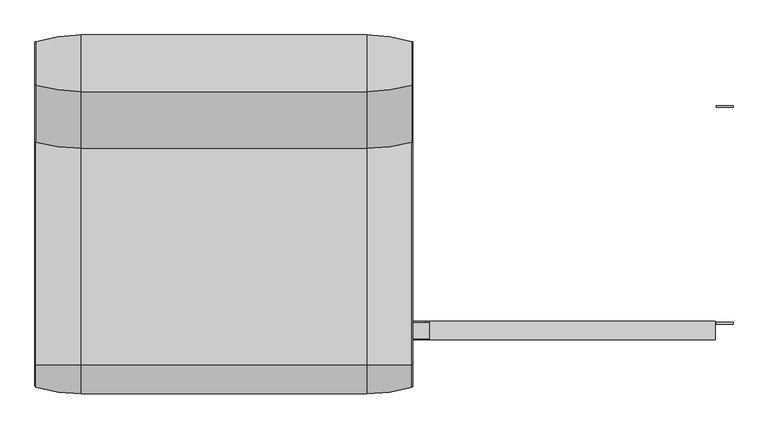
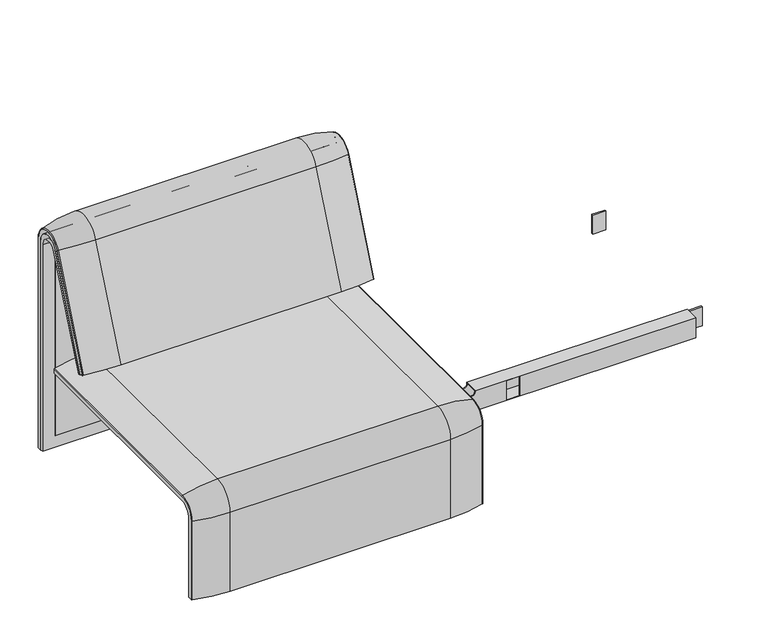
"""IFC4 building model written with IfcOpenShell, lengths in millimetres: furniture geometry."""

import ifcopenshell
import ifcopenshell.guid

model = None  # the IFC model being written
_history = None  # IfcOwnerHistory: only IFC2X3 demands one
_inside = {}  # id of a spatial element -> (the spatial element, [elements in it])
_under = {}  # id of a project, library or spatial element -> (it, [spatial elements below it])
_declared = {}  # id of a project -> (the project, [libraries it declares])
_typed = {}  # id of a type object -> (the type object, [elements of that type])
_made_of = {}  # id of a material, layer set ... -> (it, [elements and type objects made of it])


def new_model(schema):
    """Start an empty IFC model of exactly this schema.

    Asked for "IFC4X3", IfcOpenShell would pick the latest addendum, in which some entities
    have other attributes; the version numbers below select the first issue.
    IFC2X3 requires an IfcOwnerHistory on every rooted entity: one is made here for all.
    """
    global model, _history
    if schema == "IFC4X3":
        model = ifcopenshell.file(schema_version=(4, 3, 0, 0))
    else:
        model = ifcopenshell.file(schema=schema)
    _inside.clear()
    _under.clear()
    _declared.clear()
    _typed.clear()
    _made_of.clear()
    _history = None
    if model.schema == "IFC2X3":
        org = make("IfcOrganization", Name="unknown")
        user = make(
            "IfcPersonAndOrganization",
            ThePerson=make("IfcPerson", FamilyName="unknown"),
            TheOrganization=org,
        )
        app = make(
            "IfcApplication",
            ApplicationDeveloper=org,
            Version="unknown",
            ApplicationFullName="unknown",
            ApplicationIdentifier="unknown",
        )
        _history = make(
            "IfcOwnerHistory",
            OwningUser=user,
            OwningApplication=app,
            ChangeAction="ADDED",
            CreationDate=0,
        )
    return model


def make(cls, **values):
    """One entity of the class cls with the attributes given. An attribute that is None is left unset."""
    return model.create_entity(
        cls, **{name: value for name, value in values.items() if value is not None}
    )


def rooted(cls, **values):
    """An entity with a GlobalId (a new one), such as an element, a storey or a relation."""
    return make(cls, GlobalId=ifcopenshell.guid.new(), OwnerHistory=_history, **values)


def si_unit(unit_type, name, prefix=None):
    """IfcSIUnit, for example si_unit("LENGTHUNIT", "METRE", prefix="MILLI")."""
    return make("IfcSIUnit", UnitType=unit_type, Prefix=prefix, Name=name)


def assignment(units):
    """IfcUnitAssignment: the units of a project."""
    return None if units is None else make("IfcUnitAssignment", Units=units)


def point(xyz):
    """IfcCartesianPoint."""
    return None if xyz is None else make("IfcCartesianPoint", Coordinates=xyz)


def direction(xyz):
    """IfcDirection."""
    return None if xyz is None else make("IfcDirection", DirectionRatios=xyz)


def frame(location, z_axis=None, x_axis=None):
    """IfcAxis2Placement3D, a coordinate frame: its origin and axes. An axis left out is left unset."""
    return make(
        "IfcAxis2Placement3D",
        Location=point(location),
        Axis=direction(z_axis),
        RefDirection=direction(x_axis),
    )


def frame_2d(location, x_axis=None):
    """IfcAxis2Placement2D, a coordinate frame in the plane: its origin and x axis."""
    return make(
        "IfcAxis2Placement2D", Location=point(location), RefDirection=direction(x_axis)
    )


def origin():
    """The frame at (0, 0, 0) with its axes left unset."""
    return frame((0.0, 0.0, 0.0))


def place(relative_to, where):
    """IfcLocalPlacement: puts the frame where relative to a parent placement (None: the world)."""
    return make(
        "IfcLocalPlacement", PlacementRelTo=relative_to, RelativePlacement=where
    )


def context(
    kind, dimensions, precision=None, world=None, true_north=None, identifier=None
):
    """IfcGeometricRepresentationContext, for example the 3D "Model" context."""
    return make(
        "IfcGeometricRepresentationContext",
        ContextIdentifier=identifier,
        ContextType=kind,
        CoordinateSpaceDimension=dimensions,
        Precision=precision,
        WorldCoordinateSystem=world,
        TrueNorth=true_north,
    )


def project(units=None, contexts=None):
    """IfcProject with its units and contexts."""
    return rooted(
        "IfcProject",
        Name="project",
        RepresentationContexts=contexts,
        UnitsInContext=assignment(units),
    )


def spatial(cls, under=None, at=None, **own):
    """A site, building, storey or space (cls), placed at a placement, below another one or the project."""
    s = rooted(cls, ObjectPlacement=at, **own)
    if under is not None:
        _under.setdefault(under.id(), (under, []))[1].append(s)
    return s


def polyline(points):
    """IfcPolyline through the points."""
    return make("IfcPolyline", Points=[point(p) for p in points])


def circle_curve(where, radius):
    """IfcCircle in the frame where."""
    return make("IfcCircle", Position=where, Radius=radius)


def ellipse_curve(where, semi_axis1, semi_axis2):
    """IfcEllipse in the frame where."""
    return make(
        "IfcEllipse", Position=where, SemiAxis1=semi_axis1, SemiAxis2=semi_axis2
    )


def trimmed(basis, trim1, trim2, sense, master):
    """IfcTrimmedCurve: the piece of a basis curve between two trims."""
    return make(
        "IfcTrimmedCurve",
        BasisCurve=basis,
        Trim1=trim1,
        Trim2=trim2,
        SenseAgreement=sense,
        MasterRepresentation=master,
    )


def segment(curve, same_sense, transition):
    """IfcCompositeCurveSegment."""
    return make(
        "IfcCompositeCurveSegment",
        Transition=transition,
        SameSense=same_sense,
        ParentCurve=curve,
    )


def composite_curve(segments, self_intersect=None):
    """IfcCompositeCurve: segments joined end to end."""
    return make("IfcCompositeCurve", Segments=segments, SelfIntersect=self_intersect)


def outline(outer, holes=None, kind="AREA"):
    """IfcArbitraryClosedProfileDef: a profile drawn as a closed curve; with holes, ...WithVoids."""
    if holes is None:
        return make("IfcArbitraryClosedProfileDef", ProfileType=kind, OuterCurve=outer)
    return make(
        "IfcArbitraryProfileDefWithVoids",
        ProfileType=kind,
        OuterCurve=outer,
        InnerCurves=holes,
    )


def extrude(swept, where, along, depth):
    """IfcExtrudedAreaSolid: the profile swept, set in the frame where, extruded along a direction by depth."""
    return make(
        "IfcExtrudedAreaSolid",
        SweptArea=swept,
        Position=where,
        ExtrudedDirection=direction(along),
        Depth=depth,
    )


def shape(context_of_items, identifier, shape_type, items):
    """IfcShapeRepresentation: the items that make up one representation, for example the "Body"."""
    return make(
        "IfcShapeRepresentation",
        ContextOfItems=context_of_items,
        RepresentationIdentifier=identifier,
        RepresentationType=shape_type,
        Items=items,
    )


def source(mapping_origin, context_of_items, identifier, shape_type, items):
    """IfcRepresentationMap: a shape defined once, which mapped items show again and again."""
    return make(
        "IfcRepresentationMap",
        MappingOrigin=mapping_origin,
        MappedRepresentation=shape(context_of_items, identifier, shape_type, items),
    )


def transform(
    local_origin,
    x_axis=None,
    y_axis=None,
    z_axis=None,
    scale=None,
    scale2=None,
    scale3=None,
    uniform=True,
):
    """IfcCartesianTransformationOperator3D, or its non-uniform kind. x_axis, y_axis, z_axis: its Axis1, 2, 3."""
    if uniform:
        return make(
            "IfcCartesianTransformationOperator3D",
            Axis1=direction(x_axis),
            Axis2=direction(y_axis),
            LocalOrigin=point(local_origin),
            Scale=scale,
            Axis3=direction(z_axis),
        )
    return make(
        "IfcCartesianTransformationOperator3DnonUniform",
        Axis1=direction(x_axis),
        Axis2=direction(y_axis),
        LocalOrigin=point(local_origin),
        Scale=scale,
        Axis3=direction(z_axis),
        Scale2=scale2,
        Scale3=scale3,
    )


def mapped(mapping_source, mapping_target):
    """IfcMappedItem: shows the shape of a source again, moved by a transform."""
    return make(
        "IfcMappedItem", MappingSource=mapping_source, MappingTarget=mapping_target
    )


def made_of(thing, what):
    """Note that an element or type object is made of a material, layer set ...; save() writes the relation."""
    if what is not None:
        _made_of.setdefault(what.id(), (what, []))[1].append(thing)
    return thing


def element(
    cls,
    number,
    at=None,
    inside=None,
    cuts=None,
    type_object=None,
    material=None,
    context=None,
    identifier="Body",
    shape_type=None,
    held_by="IfcProductDefinitionShape",
    body=None,
    shapes=None,
    **own,
):
    """One element of the class cls, such as IfcWall. Its Tag is "e" and its number.

    at: its placement. inside: the storey or other place that contains it. cuts: it is an
    opening in that element (IfcRelVoidsElement). A single representation is given by context,
    identifier, shape_type and body (its items); several are given by shapes. held_by: the class
    of the entity that holds the representations. save() writes the other relations.
    """
    e = rooted(cls, Tag="e%d" % number, ObjectPlacement=at, **own)
    if body is not None:
        shapes = [shape(context, identifier, shape_type, body)]
    if shapes is not None:
        e.Representation = make(held_by, Representations=shapes)
    if inside is not None:
        _inside.setdefault(inside.id(), (inside, []))[1].append(e)
    if cuts is not None:
        rooted(
            "IfcRelVoidsElement", RelatingBuildingElement=cuts, RelatedOpeningElement=e
        )
    if type_object is not None:
        _typed.setdefault(type_object.id(), (type_object, []))[1].append(e)
    return made_of(e, material)


def aggregate(whole, parts):
    """IfcRelAggregates: a whole, such as a stair, and the parts it consists of."""
    return rooted("IfcRelAggregates", RelatingObject=whole, RelatedObjects=parts)


def save(model, path):
    """Write the relations noted so far, then the file.

    IfcRelAggregates (storeys below a building ...), IfcRelContainedInSpatialStructure (elements
    in a storey), IfcRelDefinesByType, IfcRelAssociatesMaterial and IfcRelDeclares: one each for
    every whole, place, type object, material and project.
    """
    for whole, parts in _under.values():
        aggregate(whole, parts)
    for where, things in _inside.values():
        rooted(
            "IfcRelContainedInSpatialStructure",
            RelatedElements=things,
            RelatingStructure=where,
        )
    for kind, things in _typed.values():
        rooted("IfcRelDefinesByType", RelatedObjects=things, RelatingType=kind)
    for what, things in _made_of.values():
        rooted("IfcRelAssociatesMaterial", RelatedObjects=things, RelatingMaterial=what)
    for by, libraries in _declared.values():
        rooted("IfcRelDeclares", RelatingContext=by, RelatedDefinitions=libraries)
    model.write(path)


def plane_surface(at):
    """IfcPlane: the flat surface through the origin of the frame at, square to its z axis."""
    return make("IfcPlane", Position=at)


def cylinder_surface(at, radius):
    """IfcCylindricalSurface: all points at the distance radius from the z axis of the frame at."""
    return make("IfcCylindricalSurface", Position=at, Radius=radius)


def revolved_surface(curve, axis_point, axis_direction):
    """IfcSurfaceOfRevolution: the curve turned about the line through axis_point along axis_direction."""
    return make(
        "IfcSurfaceOfRevolution",
        SweptCurve=make("IfcArbitraryOpenProfileDef", ProfileType="CURVE", Curve=curve),
        AxisPosition=make("IfcAxis1Placement", Location=point(axis_point), Axis=direction(axis_direction)),
    )


def advanced_brep(points, edges, surfaces, faces):
    """IfcAdvancedBrep: a solid bounded by faces that lie on surfaces and meet in shared edges.

    An edge is (start, end): straight between two places in points (the first is 0);
    or (start, end, curve); or (start, end, curve, False) where it runs against its curve.
    A face is (place in surfaces, loops), or (place, loops, False) where it looks against
    its surface's normal. A loop lists edges by number (the first is 1), with a minus sign
    where the edge is run from its end to its start. The first loop is the outer one.
    """
    corners = [point(p) for p in points]
    vertices = [make("IfcVertexPoint", VertexGeometry=c) for c in corners]
    made = []
    for start, end, *more in edges:
        made.append(
            make(
                "IfcEdgeCurve",
                EdgeStart=vertices[start],
                EdgeEnd=vertices[end],
                EdgeGeometry=more[0] if more else make("IfcPolyline", Points=[corners[start], corners[end]]),
                SameSense=more[1] if len(more) > 1 else True,
            )
        )
    hull = []
    for where, loops, *sense in faces:
        bounds = []
        for j, loop in enumerate(loops):
            ring = [make("IfcOrientedEdge", EdgeElement=made[abs(k) - 1], Orientation=k > 0) for k in loop]
            bounds.append(
                make(
                    "IfcFaceOuterBound" if j == 0 else "IfcFaceBound",
                    Bound=make("IfcEdgeLoop", EdgeList=ring),
                    Orientation=True,
                )
            )
        hull.append(make("IfcAdvancedFace", Bounds=bounds, FaceSurface=surfaces[where], SameSense=sense[0] if sense else True))
    return make("IfcAdvancedBrep", Outer=make("IfcClosedShell", CfsFaces=hull))


def furniture_76314d17(model_context):
    return source(origin(), model_context, "Body", "SolidModel", [
        advanced_brep(
        [(-815.9812488, -368.7793679, 100.5089435), (-815.9812488, -357.5, 100.5089435), (0.0, -357.5, 100.5089435), (0.0, -368.7793679, 100.5089435), (-2.1386285, -371.6530483, 100.5089435), (-100.0, -386.0043559, 100.5089435), (-715.9812488, -386.0043559, 100.5089435), (-813.8426203, -371.6530483, 100.5089435), (-815.9812488, 295.0, 377.4518019), (-813.8426203, 295.0, 380.3254823), (-715.9812488, 295.0, 394.67679), (-100.0, 295.0, 394.67679), (-2.1386285, 295.0, 380.3254823), (0.0, 295.0, 377.4518019), (0.0, 295.0, 366.172434), (-815.9812488, 295.0, 366.172434), (-815.9812488, -368.7793679, 333.0583003), (-815.9812488, -324.3858663, 377.4518019), (-815.9812488, -324.3858663, 366.172434), (-815.9812488, -357.5, 333.0583003), (0.0, -357.5, 333.0583003), (-100.0, -386.0043559, 333.0583003), (-715.9812488, -386.0043559, 333.0583003), (-813.8426203, -371.6530483, 333.0583003), (0.0, -324.3858663, 366.172434), (-715.9812488, -324.3858663, 394.67679), (-100.0, -324.3858663, 394.67679), (-813.8426203, -324.3858663, 380.3254823), (0.0, -324.3858663, 377.4518019), (0.0, -368.7793679, 333.0583003), (-2.1386285, -371.6530483, 333.0583003), (-2.1386285, -324.3858663, 380.3254823)],
        [
            (0, 1),
            (1, 2),
            (2, 3),
            (3, 4, circle_curve(frame((-3.0, -368.7793679, 100.5089435), z_axis=(0.0, 0.0, -1.0), x_axis=(-1.0, 0.0, 0.0)), 3.0)),
            (4, 5, circle_curve(frame((-100.0, -45.1710226, 100.5089435), z_axis=(0.0, 0.0, -1.0), x_axis=(0.0, 1.0, 0.0)), 340.8333333)),
            (5, 6),
            (6, 7, circle_curve(frame((-715.9812488, -45.1710226, 100.5089435), z_axis=(0.0, 0.0, -1.0), x_axis=(0.0, 1.0, 0.0)), 340.8333333)),
            (7, 0, circle_curve(frame((-812.9812488, -368.7793679, 100.5089435), z_axis=(0.0, 0.0, -1.0), x_axis=(1.0, 0.0, 0.0)), 3.0)),
            (8, 9, circle_curve(frame((-812.9812488, 295.0, 377.4518019), z_axis=(0.0, 1.0, 0.0), x_axis=(1.0, 0.0, 0.0)), 3.0)),
            (9, 10, circle_curve(frame((-715.9812488, 295.0, 53.8434566), z_axis=(0.0, 1.0, 0.0), x_axis=(0.0, 0.0, -1.0)), 340.8333333)),
            (10, 11),
            (11, 12, circle_curve(frame((-100.0, 295.0, 53.8434566), z_axis=(0.0, 1.0, 0.0), x_axis=(0.0, 0.0, -1.0)), 340.8333333)),
            (12, 13, circle_curve(frame((-3.0, 295.0, 377.4518019), z_axis=(0.0, 1.0, 0.0), x_axis=(-1.0, 0.0, 0.0)), 3.0)),
            (13, 14),
            (14, 15),
            (15, 8),
            (0, 16),
            (16, 17, circle_curve(frame((-815.9812488, -324.3858663, 333.0583003), z_axis=(-1.0, 0.0, 0.0), x_axis=(0.0, -1.0, 0.0)), 44.3935016)),
            (17, 8),
            (15, 18),
            (18, 19, circle_curve(frame((-815.9812488, -324.3858663, 333.0583003), z_axis=(1.0, 0.0, 0.0), x_axis=(0.0, -1.0, 0.0)), 33.1141337)),
            (19, 1),
            (19, 20),
            (20, 2),
            (5, 21),
            (21, 22),
            (22, 6),
            (22, 23, circle_curve(frame((-715.9812488, -45.1710226, 333.0583003), z_axis=(0.0, 0.0, -1.0), x_axis=(0.0, 1.0, 0.0)), 340.8333333)),
            (23, 7),
            (23, 16, circle_curve(frame((-812.9812488, -368.7793679, 333.0583003), z_axis=(0.0, 0.0, -1.0), x_axis=(1.0, 0.0, 0.0)), 3.0)),
            (24, 20, circle_curve(frame((0.0, -324.3858663, 333.0583003), z_axis=(1.0, 0.0, 0.0), x_axis=(0.0, -1.0, 0.0)), 33.1141337)),
            (18, 24),
            (25, 22, circle_curve(frame((-715.9812488, -324.3858663, 333.0583003), z_axis=(1.0, 0.0, 0.0), x_axis=(0.0, -1.0, 0.0)), 61.6184897)),
            (21, 26, circle_curve(frame((-100.0, -324.3858663, 333.0583003), z_axis=(-1.0, 0.0, 0.0), x_axis=(0.0, -1.0, 0.0)), 61.6184897)),
            (26, 25),
            (27, 23, circle_curve(frame((-813.8426203, -324.3858663, 333.0583003), z_axis=(1.0, 0.0, 0.0), x_axis=(0.0, -1.0, 0.0)), 47.267182)),
            (25, 27, circle_curve(frame((-715.9812488, -324.3858663, 53.8434566), z_axis=(0.0, -1.0, 0.0), x_axis=(0.0, 0.0, -1.0)), 340.8333333)),
            (27, 17, circle_curve(frame((-812.9812488, -324.3858663, 377.4518019), z_axis=(0.0, -1.0, 0.0), x_axis=(1.0, 0.0, 0.0)), 3.0)),
            (14, 24),
            (26, 11),
            (10, 25),
            (9, 27),
            (13, 28),
            (28, 29, circle_curve(frame((0.0, -324.3858663, 333.0583003), z_axis=(1.0, 0.0, 0.0), x_axis=(0.0, -1.0, 0.0)), 44.3935016)),
            (29, 3),
            (29, 30, circle_curve(frame((-3.0, -368.7793679, 333.0583003), z_axis=(0.0, 0.0, -1.0), x_axis=(-1.0, 0.0, 0.0)), 3.0)),
            (30, 4),
            (30, 21, circle_curve(frame((-100.0, -45.1710226, 333.0583003), z_axis=(0.0, 0.0, -1.0), x_axis=(0.0, 1.0, 0.0)), 340.8333333)),
            (31, 30, circle_curve(frame((-2.1386285, -324.3858663, 333.0583003), z_axis=(1.0, 0.0, 0.0), x_axis=(0.0, -1.0, 0.0)), 47.267182)),
            (28, 31, circle_curve(frame((-3.0, -324.3858663, 377.4518019), z_axis=(0.0, -1.0, 0.0), x_axis=(-1.0, 0.0, 0.0)), 3.0)),
            (31, 26, circle_curve(frame((-100.0, -324.3858663, 53.8434566), z_axis=(0.0, -1.0, 0.0), x_axis=(0.0, 0.0, -1.0)), 340.8333333)),
            (12, 31),
        ],
        [
            plane_surface(frame((-815.9812488, -357.5, 100.5089435), z_axis=(0.0, 0.0, -1.0), x_axis=(1.0, 0.0, 0.0))),
            plane_surface(frame((-815.9812488, 295.0, 366.172434), z_axis=(0.0, 1.0, 0.0), x_axis=(1.0, 0.0, 0.0))),
            plane_surface(frame((-815.9812488, -368.7793679, 100.5089435), z_axis=(-1.0, 0.0, 0.0), x_axis=(0.0, 0.0, 1.0))),
            plane_surface(frame((-815.9812488, -357.5, 100.5089435), z_axis=(0.0, 1.0, 0.0), x_axis=(0.0, 0.0, 1.0))),
            plane_surface(frame((-100.0, -386.0043559, 100.5089435), z_axis=(0.0, -1.0, 0.0), x_axis=(0.0, 0.0, 1.0))),
            cylinder_surface(frame((-715.9812488, -45.1710226, 100.5089435), z_axis=(0.0, 0.0, -1.0), x_axis=(0.0, 1.0, 0.0)), 340.8333333),
            cylinder_surface(frame((-812.9812488, -368.7793679, 100.5089435), z_axis=(0.0, 0.0, -1.0), x_axis=(1.0, 0.0, 0.0)), 3.0),
            revolved_surface(polyline([(-815.9812488, -357.5, 333.0583003), (0.0, -357.5, 333.0583003)]), (-815.9812488, -324.3858663, 333.0583003), (-1.0, 0.0, 0.0)),
            cylinder_surface(frame((-815.9812488, -324.3858663, 333.0583003), z_axis=(-1.0, 0.0, 0.0), x_axis=(0.0, -1.0, 0.0)), 61.6184897),
            revolved_surface(trimmed(ellipse_curve(frame((-715.9812488, -45.1710226, 333.0583003), z_axis=(0.0, 0.0, -1.0), x_axis=(0.0, 1.0, 0.0)), 340.8333333, 340.8333333), [point((-715.9812488, -386.0043559, 333.0583003))], [point((-813.8426203, -371.6530483, 333.0583003))], True, "CARTESIAN"), (-815.9812488, -324.3858663, 333.0583003), (-1.0, 0.0, 0.0)),
            revolved_surface(trimmed(ellipse_curve(frame((-812.9812488, -368.7793679, 333.0583003), z_axis=(0.0, 0.0, -1.0), x_axis=(1.0, 0.0, 0.0)), 3.0, 3.0), [point((-813.8426203, -371.6530483, 333.0583003))], [point((-815.9812488, -368.7793679, 333.0583003))], True, "CARTESIAN"), (-815.9812488, -324.3858663, 333.0583003), (-1.0, 0.0, 0.0)),
            plane_surface(frame((-815.9812488, -324.3858663, 366.172434), z_axis=(0.0, 0.0, -1.0), x_axis=(0.0, 1.0, 0.0))),
            plane_surface(frame((-100.0, -324.3858663, 394.67679), z_axis=(0.0, 0.0, 1.0), x_axis=(0.0, 1.0, 0.0))),
            cylinder_surface(frame((-715.9812488, -324.3858663, 53.8434566), z_axis=(0.0, -1.0, 0.0), x_axis=(0.0, 0.0, -1.0)), 340.8333333),
            cylinder_surface(frame((-812.9812488, -324.3858663, 377.4518019), z_axis=(0.0, -1.0, 0.0), x_axis=(1.0, 0.0, 0.0)), 3.0),
            plane_surface(frame((0.0, -357.5, 100.5089435), z_axis=(1.0, 0.0, 0.0), x_axis=(0.0, 0.0, 1.0))),
            cylinder_surface(frame((-3.0, -368.7793679, 100.5089435), z_axis=(0.0, 0.0, -1.0), x_axis=(-1.0, 0.0, 0.0)), 3.0),
            cylinder_surface(frame((-100.0, -45.1710226, 100.5089435), z_axis=(0.0, 0.0, -1.0), x_axis=(0.0, 1.0, 0.0)), 340.8333333),
            revolved_surface(trimmed(ellipse_curve(frame((-3.0, -368.7793679, 333.0583003), z_axis=(0.0, 0.0, -1.0), x_axis=(-1.0, 0.0, 0.0)), 3.0, 3.0), [point((0.0, -368.7793679, 333.0583003))], [point((-2.1386285, -371.6530483, 333.0583003))], True, "CARTESIAN"), (-815.9812488, -324.3858663, 333.0583003), (-1.0, 0.0, 0.0)),
            revolved_surface(trimmed(ellipse_curve(frame((-100.0, -45.1710226, 333.0583003), z_axis=(0.0, 0.0, -1.0), x_axis=(0.0, 1.0, 0.0)), 340.8333333, 340.8333333), [point((-2.1386285, -371.6530483, 333.0583003))], [point((-100.0, -386.0043559, 333.0583003))], True, "CARTESIAN"), (-815.9812488, -324.3858663, 333.0583003), (-1.0, 0.0, 0.0)),
            cylinder_surface(frame((-3.0, -324.3858663, 377.4518019), z_axis=(0.0, -1.0, 0.0), x_axis=(-1.0, 0.0, 0.0)), 3.0),
            cylinder_surface(frame((-100.0, -324.3858663, 53.8434566), z_axis=(0.0, -1.0, 0.0), x_axis=(0.0, 0.0, -1.0)), 340.8333333),
        ],
        [
            (0, [[1, 2, 3, 4, 5, 6, 7, 8]]),
            (1, [[9, 10, 11, 12, 13, 14, 15, 16]]),
            (2, [[-1, 17, 18, 19, -16, 20, 21, 22]]),
            (3, [[-2, -22, 23, 24]]),
            (4, [[-6, 25, 26, 27]]),
            (5, [[-7, -27, 28, 29]]),
            (6, [[-8, -29, 30, -17]]),
            (7, [[31, -23, -21, 32]]),
            (8, [[33, -26, 34, 35]]),
            (9, [[36, -28, -33, 37]]),
            (10, [[-18, -30, -36, 38]]),
            (11, [[-32, -20, -15, 39]]),
            (12, [[-35, 40, -11, 41]]),
            (13, [[-37, -41, -10, 42]]),
            (14, [[-38, -42, -9, -19]]),
            (15, [[-3, -24, -31, -39, -14, 43, 44, 45]]),
            (16, [[-4, -45, 46, 47]]),
            (17, [[-5, -47, 48, -25]]),
            (18, [[49, -46, -44, 50]]),
            (19, [[-34, -48, -49, 51]]),
            (20, [[-50, -43, -13, 52]]),
            (21, [[-51, -52, -12, -40]]),
        ],
    ),
        advanced_brep(
        [(0.0165441, 351.0000061, 101.8476716), (0.0165441, 359.7858817, 101.8476716), (0.0165441, 359.7858817, 720.3417731), (0.0165441, 292.4403877, 733.7122262), (0.0165441, 170.1966807, 437.98305), (0.0165441, 175.0204081, 435.9866665), (0.0165441, 296.2458652, 723.9869215), (0.0165441, 351.0000061, 712.9272623), (-815.9647047, 351.0000061, 101.8476716), (-815.9647047, 351.0000061, 712.9272623), (-815.9647047, 296.2720241, 723.9759107), (-815.9647047, 175.0204081, 435.9866665), (-815.9647047, 170.1966807, 437.98305), (-815.9647047, 292.4403877, 733.7122262), (-815.9647047, 359.7858817, 720.3417731), (-815.9647047, 359.7858817, 101.8476716), (-34.9, 292.4403877, 733.7122262), (-34.9, 176.0980387, 452.25948), (-781.0812488, 176.0980387, 452.25948), (-781.0812488, 292.4403877, 733.7122262), (-781.0812488, 296.2458652, 723.9869215), (-781.0812488, 181.0136548, 450.2250668), (-34.9, 181.0136548, 450.2250668), (-34.9, 296.2458652, 723.9869215), (-34.9, 351.0000061, 712.9272623), (-34.9, 351.0000061, 135.3766997), (-781.0812488, 351.0000061, 135.3766997), (-781.0812488, 351.0000061, 712.9272623), (-781.0812488, 359.7858817, 720.3417731), (-781.0812488, 359.7858817, 135.3766997), (-34.9, 359.7858817, 135.3766997), (-34.9, 359.7858817, 720.3417731)],
        [
            (0, 1),
            (1, 2),
            (2, 3, circle_curve(frame((0.0165441, 324.7858817, 720.3417731), z_axis=(1.0, 0.0, 0.0), x_axis=(0.0, -1.0, 0.0)), 35.0)),
            (3, 4),
            (4, 5),
            (5, 6),
            (6, 7, circle_curve(frame((0.0165441, 322.520748, 712.9272623), z_axis=(-1.0, 0.0, 0.0), x_axis=(0.0, -1.0, 0.0)), 28.479258)),
            (7, 0),
            (8, 9),
            (9, 10, circle_curve(frame((-815.9647047, 322.520748, 712.9272623), z_axis=(1.0, 0.0, 0.0), x_axis=(0.0, -1.0, 0.0)), 28.479258)),
            (10, 11),
            (11, 12),
            (12, 13),
            (13, 14, circle_curve(frame((-815.9647047, 324.7858817, 720.3417731), z_axis=(-1.0, 0.0, 0.0), x_axis=(0.0, -1.0, 0.0)), 35.0)),
            (14, 15),
            (15, 8),
            (3, 16),
            (16, 17),
            (17, 18),
            (18, 19),
            (19, 13),
            (12, 4),
            (11, 5),
            (10, 20),
            (20, 21),
            (21, 22),
            (22, 23),
            (23, 6),
            (7, 24),
            (24, 25),
            (25, 26),
            (26, 27),
            (27, 9),
            (8, 0),
            (15, 1),
            (14, 28),
            (28, 29),
            (29, 30),
            (30, 31),
            (31, 2),
            (31, 16, circle_curve(frame((-34.9, 324.7858817, 720.3417731), z_axis=(1.0, 0.0, 0.0), x_axis=(0.0, -1.0, 0.0)), 35.0)),
            (19, 28, circle_curve(frame((-781.0812488, 324.7858817, 720.3417731), z_axis=(-1.0, 0.0, 0.0), x_axis=(0.0, -1.0, 0.0)), 35.0)),
            (23, 24, circle_curve(frame((-34.9, 322.520748, 712.9272623), z_axis=(-1.0, 0.0, 0.0), x_axis=(0.0, -1.0, 0.0)), 28.479258)),
            (27, 20, circle_curve(frame((-781.0812488, 322.520748, 712.9272623), z_axis=(1.0, 0.0, 0.0), x_axis=(0.0, -1.0, 0.0)), 28.479258)),
            (22, 17),
            (30, 25),
            (26, 29),
            (18, 21),
        ],
        [
            plane_surface(frame((0.0165441, 359.7858817, 101.8476716), z_axis=(1.0, 0.0, 0.0), x_axis=(0.0, 1.0, 0.0))),
            plane_surface(frame((-815.9647047, 359.7858817, 101.8476716), z_axis=(-1.0, 0.0, 0.0), x_axis=(0.0, -1.0, 0.0))),
            plane_surface(frame((0.0165441, 292.4403877, 733.7122262), z_axis=(0.0, -0.9241569717933176, 0.3820129467515535), x_axis=(-1.0, 0.0, 0.0))),
            plane_surface(frame((0.0165441, 170.1966807, 437.98305), z_axis=(0.0, -0.38241039441983893, -0.9239925812687368), x_axis=(-1.0, 0.0, 0.0))),
            plane_surface(frame((0.0165441, 175.0204081, 435.9866665), z_axis=(0.0, 0.921678643444566, -0.3879542218073993), x_axis=(-1.0, 0.0, 0.0))),
            plane_surface(frame((0.0165441, 351.0000061, 712.9272623), z_axis=(0.0, -1.0, 0.0), x_axis=(-1.0, 0.0, 0.0))),
            plane_surface(frame((0.0165441, 351.0000061, 101.8476716), z_axis=(0.0, 0.0, -1.0), x_axis=(-1.0, 0.0, 0.0))),
            plane_surface(frame((0.0165441, 359.7858817, 101.8476716), z_axis=(0.0, 1.0, 0.0), x_axis=(-1.0, 0.0, 0.0))),
            cylinder_surface(frame((-815.9647047, 324.7858817, 720.3417731), z_axis=(1.0, 0.0, 0.0), x_axis=(0.0, -1.0, 0.0)), 35.0),
            revolved_surface(polyline([(-34.89999999999998, 294.04149, 712.9272623), (0.016544100000032813, 294.04149, 712.9272623)]), (-815.9647047, 322.520748, 712.9272623), (-1.0, 0.0, 0.0)),
            revolved_surface(polyline([(-815.9647047, 294.04149, 712.9272623), (-781.0812488, 294.04149, 712.9272623)]), (-815.9647047, 322.520748, 712.9272623), (-1.0, 0.0, 0.0)),
            plane_surface(frame((-34.9, 359.7858817, 135.3766997), z_axis=(-1.0, 0.0, 0.0), x_axis=(0.0, 1.0, 0.0))),
            plane_surface(frame((-781.0812488, 359.7858817, 135.3766997), z_axis=(1.0, 0.0, 0.0), x_axis=(0.0, -1.0, 0.0))),
            plane_surface(frame((-34.9, 166.9120641, 456.0612553), z_axis=(0.0, 0.38241039441982605, 0.9239925812687422), x_axis=(-1.0, 0.0, 0.0))),
            plane_surface(frame((-34.9, 344.7858817, 135.3766997), z_axis=(0.0, 0.0, 1.0), x_axis=(-1.0, 0.0, 0.0))),
        ],
        [
            (0, [[1, 2, 3, 4, 5, 6, 7, 8]]),
            (1, [[9, 10, 11, 12, 13, 14, 15, 16]]),
            (2, [[-4, 17, 18, 19, 20, 21, -13, 22]]),
            (3, [[-5, -22, -12, 23]]),
            (4, [[-6, -23, -11, 24, 25, 26, 27, 28]]),
            (5, [[-8, 29, 30, 31, 32, 33, -9, 34]]),
            (6, [[-1, -34, -16, 35]]),
            (7, [[-2, -35, -15, 36, 37, 38, 39, 40]]),
            (8, [[-3, -40, 41, -17]]),
            (8, [[-14, -21, 42, -36]]),
            (9, [[-7, -28, 43, -29]]),
            (10, [[-10, -33, 44, -24]]),
            (11, [[45, -18, -41, -39, 46, -30, -43, -27]]),
            (12, [[47, -37, -42, -20, 48, -25, -44, -32]]),
            (13, [[-45, -26, -48, -19]]),
            (14, [[-46, -38, -47, -31]]),
        ],
    ),
        advanced_brep(
        [(-34.9, 351.0000061, 135.3766997), (-34.9, 359.7858817, 135.3766997), (-34.9, 359.7858817, 720.3417731), (-34.9, 292.4403877, 733.7122262), (-34.9, 176.0980387, 452.25948), (-34.9, 181.0136548, 450.2250668), (-34.9, 296.2458652, 723.9869215), (-34.9, 351.0000061, 712.9272623), (-781.0812488, 351.0000061, 135.3766997), (-781.0812488, 351.0000061, 712.9272623), (-781.0812488, 296.2720241, 723.9759107), (-781.0812488, 181.0136548, 450.2250668), (-781.0812488, 176.0980387, 452.25948), (-781.0812488, 292.4403877, 733.7122262), (-781.0812488, 359.7858817, 720.3417731), (-781.0812488, 359.7858817, 135.3766997)],
        [
            (0, 1),
            (1, 2),
            (2, 3, circle_curve(frame((-34.9, 324.7858817, 720.3417731), z_axis=(1.0, 0.0, 0.0), x_axis=(0.0, -1.0, 0.0)), 35.0)),
            (3, 4),
            (4, 5),
            (5, 6),
            (6, 7, circle_curve(frame((-34.9, 322.520748, 712.9272623), z_axis=(-1.0, 0.0, 0.0), x_axis=(0.0, -1.0, 0.0)), 28.479258)),
            (7, 0),
            (8, 9),
            (9, 10, circle_curve(frame((-781.0812488, 322.520748, 712.9272623), z_axis=(1.0, 0.0, 0.0), x_axis=(0.0, -1.0, 0.0)), 28.479258)),
            (10, 11),
            (11, 12),
            (12, 13),
            (13, 14, circle_curve(frame((-781.0812488, 324.7858817, 720.3417731), z_axis=(-1.0, 0.0, 0.0), x_axis=(0.0, -1.0, 0.0)), 35.0)),
            (14, 15),
            (15, 8),
            (3, 13),
            (12, 4),
            (11, 5),
            (10, 6),
            (7, 9),
            (8, 0),
            (15, 1),
            (14, 2),
        ],
        [
            plane_surface(frame((-34.9, 359.7858817, 135.3766997), z_axis=(1.0, 0.0, 0.0), x_axis=(0.0, 1.0, 0.0))),
            plane_surface(frame((-781.0812488, 359.7858817, 135.3766997), z_axis=(-1.0, 0.0, 0.0), x_axis=(0.0, -1.0, 0.0))),
            plane_surface(frame((-34.9, 292.4403877, 733.7122262), z_axis=(0.0, -0.9241569717933176, 0.3820129467515535), x_axis=(-1.0, 0.0, 0.0))),
            plane_surface(frame((-34.9, 176.0980387, 452.25948), z_axis=(0.0, -0.38241039441982716, -0.9239925812687417), x_axis=(-1.0, 0.0, 0.0))),
            plane_surface(frame((-34.9, 181.0136548, 450.2250668), z_axis=(0.0, 0.921678643444566, -0.3879542218073993), x_axis=(-1.0, 0.0, 0.0))),
            plane_surface(frame((-34.9, 351.0000061, 712.9272623), z_axis=(0.0, -1.0, 0.0), x_axis=(-1.0, 0.0, 0.0))),
            plane_surface(frame((-34.9, 351.0000061, 135.3766997), z_axis=(0.0, 0.0, -1.0), x_axis=(-1.0, 0.0, 0.0))),
            plane_surface(frame((-34.9, 359.7858817, 135.3766997), z_axis=(0.0, 1.0, 0.0), x_axis=(-1.0, 0.0, 0.0))),
            cylinder_surface(frame((-781.0812488, 324.7858817, 720.3417731), z_axis=(1.0, 0.0, 0.0), x_axis=(0.0, -1.0, 0.0)), 35.0),
            revolved_surface(polyline([(-781.0812488, 294.04149, 712.9272623), (-34.89999999999998, 294.04149, 712.9272623)]), (-781.0812488, 322.520748, 712.9272623), (-1.0, 0.0, 0.0)),
        ],
        [
            (0, [[1, 2, 3, 4, 5, 6, 7, 8]]),
            (1, [[9, 10, 11, 12, 13, 14, 15, 16]]),
            (2, [[-4, 17, -13, 18]]),
            (3, [[-5, -18, -12, 19]]),
            (4, [[-6, -19, -11, 20]]),
            (5, [[-8, 21, -9, 22]]),
            (6, [[-1, -22, -16, 23]]),
            (7, [[-2, -23, -15, 24]]),
            (8, [[-3, -24, -14, -17]]),
            (9, [[-7, -20, -10, -21]]),
        ],
    ),
        extrude(outline(composite_curve([segment(trimmed(circle_curve(frame_2d((305.0000061, 379.9223263)), 30.0), [point((305.0000061, 349.9223263))], [point((335.0000061, 379.9223263))], True, "CARTESIAN"), True, "CONTINUOUS"), segment(polyline([(335.0000061, 379.9223263), (335.0000061, 515.0657595)]), True, "CONTINUOUS"), segment(trimmed(circle_curve(frame_2d((305.0000061, 515.0657595)), 30.0), [point((335.0000061, 515.0657595))], [point((316.7219399, 542.6809051))], True, "CARTESIAN"), True, "CONTINUOUS"), segment(polyline([(316.7219399, 542.6809051), (257.4911714, 567.8228747)]), True, "CONTINUOUS"), segment(trimmed(circle_curve(frame_2d((251.6302045, 554.0153019)), 15.0), [point((257.4911714, 567.8228747))], [point((238.0355877, 560.3545758))], True, "CARTESIAN"), True, "CONTINUOUS"), segment(polyline([(238.0355877, 560.3545758), (222.2725218, 526.5505721), (213.7507451, 529.5682915), (296.3054528, 724.0549949)]), True, "CONTINUOUS"), segment(trimmed(circle_curve(frame_2d((322.520748, 712.9272623)), 28.479258), [point((296.3054528, 724.0549949))], [point((351.0000061, 712.9272623))], False, "CARTESIAN"), True, "CONTINUOUS"), segment(polyline([(351.0000061, 712.9272623), (351.0000061, 197.0551771), (343.3075759, 197.0551771), (339.4064861, 271.492405)]), True, "CONTINUOUS"), segment(trimmed(circle_curve(frame_2d((309.4476, 269.9223263)), 30.0), [point((339.4064861, 271.492405))], [point((309.4476, 299.9223263))], True, "CARTESIAN"), True, "CONTINUOUS"), segment(polyline([(309.4476, 299.9223263), (270.0000061, 299.9223263), (270.0000061, 359.9223263), (275.0000061, 359.9223263)]), True, "CONTINUOUS"), segment(trimmed(circle_curve(frame_2d((285.0000061, 359.9223263)), 10.0), [point((275.0000061, 359.9223263))], [point((285.0000061, 349.9223263))], True, "CARTESIAN"), True, "CONTINUOUS"), segment(polyline([(285.0000061, 349.9223263), (305.0000061, 349.9223263)]), True, "CONTINUOUS")], self_intersect=False), holes=[composite_curve([segment(polyline([(337.5000061, 576.3274105), (337.5000061, 716.7072663)]), True, "CONTINUOUS"), segment(trimmed(circle_curve(frame_2d((322.5000061, 716.7072663)), 15.0), [point((337.5000061, 716.7072663))], [point((308.9053893, 723.0465402))], True, "CARTESIAN"), True, "CONTINUOUS"), segment(polyline([(308.9053893, 723.0465402), (253.6256191, 604.4986904)]), True, "CONTINUOUS"), segment(trimmed(circle_curve(frame_2d((271.7517748, 596.0463251)), 20.0), [point((253.6256191, 604.4986904))], [point((265.0756376, 577.1934953))], True, "CARTESIAN"), True, "CONTINUOUS"), segment(polyline([(265.0756376, 577.1934953), (314.1406626, 559.8186587)]), True, "CONTINUOUS"), segment(trimmed(circle_curve(frame_2d((319.9867182, 576.3274105)), 17.5132879), [point((314.1406626, 559.8186587))], [point((337.5000061, 576.3274105))], True, "CARTESIAN"), True, "CONTINUOUS")], self_intersect=False)]), frame((-162.9958276, 0.0, 0.0), z_axis=(1.0, 0.0, 0.0), x_axis=(0.0, 1.0, 0.0)), (0.0, 0.0, 1.0), 40.0),
        advanced_brep(
        [(-99.9834559, 388.2902376, 100.5089435), (-2.1220844, 373.93893, 100.5089435), (0.0165441, 371.0652495, 100.5089435), (0.0165441, 359.7858817, 100.5089435), (-815.997793, 359.7858817, 100.5089435), (-815.997793, 371.0652495, 100.5089435), (-813.8591645, 373.93893, 100.5089435), (-715.997793, 388.2902376, 100.5089435), (-715.997793, 388.2902376, 720.3417731), (-99.9834559, 388.2902376, 720.3417731), (-2.1220844, 373.93893, 720.3417731), (0.0165441, 371.0652495, 720.3417731), (0.0165441, 282.0164812, 738.0210907), (0.0165441, 159.7723383, 442.2908598), (0.0165441, 170.1962447, 437.9819952), (0.0165441, 292.4403877, 733.7122262), (0.0165441, 359.7858817, 720.3417731), (-815.997793, 359.7858817, 720.3417731), (-99.9834559, 143.8537454, 448.8710282), (-715.997793, 143.8537454, 448.8710282), (-813.8591645, 157.1166065, 443.3886429), (-815.997793, 159.7723383, 442.2908598), (-815.997793, 170.1962447, 437.9819952), (-2.1220844, 157.1166065, 443.3886429), (-99.9834559, 266.0978884, 744.6012592), (-715.997793, 266.0978884, 744.6012592), (-2.1220844, 279.3607494, 739.1188739), (-815.997793, 292.4403877, 733.7122262), (-815.997793, 282.0164812, 738.0210907), (-815.997793, 371.0652495, 720.3417731), (-813.8591645, 373.93893, 720.3417731), (-813.8591645, 279.3607494, 739.1188739)],
        [
            (0, 1, circle_curve(frame((-99.9834559, 47.4569043, 100.5089435), z_axis=(0.0, 0.0, -1.0), x_axis=(0.0, -1.0, 0.0)), 340.8333333)),
            (1, 2, circle_curve(frame((-2.9834559, 371.0652495, 100.5089435), z_axis=(0.0, 0.0, -1.0), x_axis=(1.0, 0.0, 0.0)), 3.0)),
            (2, 3),
            (3, 4),
            (4, 5),
            (5, 6, circle_curve(frame((-812.997793, 371.0652495, 100.5089435), z_axis=(0.0, 0.0, -1.0), x_axis=(-1.0, 0.0, 0.0)), 3.0)),
            (6, 7, circle_curve(frame((-715.997793, 47.4569043, 100.5089435), z_axis=(0.0, 0.0, -1.0), x_axis=(0.0, -1.0, 0.0)), 340.8333333)),
            (7, 0),
            (7, 8),
            (8, 9),
            (9, 0),
            (9, 10, circle_curve(frame((-99.9834559, 47.4569043, 720.3417731), z_axis=(0.0, 0.0, -1.0), x_axis=(0.0, -1.0, 0.0)), 340.8333333)),
            (10, 1),
            (10, 11, circle_curve(frame((-2.9834559, 371.0652495, 720.3417731), z_axis=(0.0, 0.0, -1.0), x_axis=(1.0, 0.0, 0.0)), 3.0)),
            (11, 2),
            (11, 12, circle_curve(frame((0.0165441, 324.7858817, 720.3417731), z_axis=(1.0, 0.0, 0.0), x_axis=(0.0, 1.0, 0.0)), 46.2793679)),
            (12, 13),
            (13, 14),
            (14, 15),
            (15, 16, circle_curve(frame((0.0165441, 324.7858817, 720.3417731), z_axis=(-1.0, 0.0, 0.0), x_axis=(0.0, 1.0, 0.0)), 35.0)),
            (16, 3),
            (16, 17),
            (17, 4),
            (18, 19),
            (19, 20, circle_curve(frame((-715.997793, 458.8372467, 318.6682822), z_axis=(0.0, -0.38201294675155345, -0.9241569717933176), x_axis=(0.0, 0.9241569717933176, -0.38201294675155345)), 340.8333333)),
            (20, 21, circle_curve(frame((-812.997793, 159.7723383, 442.2908598), z_axis=(0.0, -0.38201294675155345, -0.9241569717933176), x_axis=(-1.0, 0.0, 0.0)), 3.0)),
            (21, 22),
            (22, 14),
            (13, 23, circle_curve(frame((-2.9834559, 159.7723383, 442.2908598), z_axis=(0.0, -0.38201294675155345, -0.9241569717933176), x_axis=(1.0, 0.0, 0.0)), 3.0)),
            (23, 18, circle_curve(frame((-99.9834559, 458.8372467, 318.6682822), z_axis=(0.0, -0.38201294675155345, -0.9241569717933176), x_axis=(0.0, 0.9241569717933176, -0.38201294675155345)), 340.8333333)),
            (24, 9, circle_curve(frame((-99.9834559, 324.7858817, 720.3417731), z_axis=(-1.0, 0.0, 0.0), x_axis=(0.0, 1.0, 0.0)), 63.5043559)),
            (8, 25, circle_curve(frame((-715.997793, 324.7858817, 720.3417731), z_axis=(1.0, 0.0, 0.0), x_axis=(0.0, 1.0, 0.0)), 63.5043559)),
            (25, 24),
            (26, 10, circle_curve(frame((-2.1220844, 324.7858817, 720.3417731), z_axis=(-1.0, 0.0, 0.0), x_axis=(0.0, 1.0, 0.0)), 49.1530483)),
            (24, 26, circle_curve(frame((-99.9834559, 581.0813896, 614.3985132), z_axis=(0.0, 0.382012946751556, 0.9241569717933165), x_axis=(0.0, 0.9241569717933165, -0.382012946751556)), 340.8333333)),
            (26, 12, circle_curve(frame((-2.9834559, 282.0164812, 738.0210907), z_axis=(0.0, 0.3820129467515552, 0.9241569717933168), x_axis=(1.0, 0.0, 0.0)), 3.0)),
            (27, 17, circle_curve(frame((-815.997793, 324.7858817, 720.3417731), z_axis=(-1.0, 0.0, 0.0), x_axis=(0.0, 1.0, 0.0)), 35.0)),
            (15, 27),
            (25, 19),
            (18, 24),
            (23, 26),
            (22, 27),
            (21, 28),
            (28, 29, circle_curve(frame((-815.997793, 324.7858817, 720.3417731), z_axis=(-1.0, 0.0, 0.0), x_axis=(0.0, 1.0, 0.0)), 46.2793679)),
            (29, 5),
            (29, 30, circle_curve(frame((-812.997793, 371.0652495, 720.3417731), z_axis=(0.0, 0.0, -1.0), x_axis=(-1.0, 0.0, 0.0)), 3.0)),
            (30, 6),
            (30, 8, circle_curve(frame((-715.997793, 47.4569043, 720.3417731), z_axis=(0.0, 0.0, -1.0), x_axis=(0.0, -1.0, 0.0)), 340.8333333)),
            (31, 30, circle_curve(frame((-813.8591645, 324.7858817, 720.3417731), z_axis=(-1.0, 0.0, 0.0), x_axis=(0.0, 1.0, 0.0)), 49.1530483)),
            (28, 31, circle_curve(frame((-812.997793, 282.0164812, 738.0210907), z_axis=(0.0, 0.3820129467515544, 0.9241569717933172), x_axis=(-1.0, 0.0, 0.0)), 3.0)),
            (31, 25, circle_curve(frame((-715.997793, 581.0813896, 614.3985132), z_axis=(0.0, 0.3820129467515532, 0.9241569717933177), x_axis=(0.0, 0.9241569717933177, -0.3820129467515532)), 340.8333333)),
            (20, 31),
        ],
        [
            plane_surface(frame((-403.2256012, 359.7858817, 100.5089435), z_axis=(0.0, 0.0, -1.0), x_axis=(1.0, 0.0, 0.0))),
            plane_surface(frame((-715.997793, 388.2902376, 100.5089435), z_axis=(0.0, 1.0, 0.0), x_axis=(0.0, 0.0, 1.0))),
            cylinder_surface(frame((-99.9834559, 47.4569043, 100.5089435), z_axis=(0.0, 0.0, -1.0), x_axis=(0.0, -1.0, 0.0)), 340.8333333),
            cylinder_surface(frame((-2.9834559, 371.0652495, 100.5089435), z_axis=(0.0, 0.0, -1.0), x_axis=(1.0, 0.0, 0.0)), 3.0),
            plane_surface(frame((0.0165441, 371.0652495, 100.5089435), z_axis=(1.0, 0.0, 0.0), x_axis=(0.0, 0.0, 1.0))),
            plane_surface(frame((0.0165441, 359.7858817, 100.5089435), z_axis=(0.0, -1.0, 0.0), x_axis=(0.0, 0.0, 1.0))),
            plane_surface(frame((-403.2256012, 170.1962447, 437.9819952), z_axis=(0.0, -0.38201294675155345, -0.9241569717933176), x_axis=(1.0, 0.0, 0.0))),
            cylinder_surface(frame((-403.2256012, 324.7858817, 720.3417731), z_axis=(1.0, 0.0, 0.0), x_axis=(0.0, 1.0, 0.0)), 63.5043559),
            revolved_surface(trimmed(ellipse_curve(frame((-99.9834559, 47.4569043, 720.3417731), z_axis=(0.0, 0.0, -1.0), x_axis=(0.0, -1.0, 0.0)), 340.8333333, 340.8333333), [point((-99.9834559, 388.2902376, 720.3417731))], [point((-2.1220844, 373.93893, 720.3417731))], True, "CARTESIAN"), (-403.2256012, 324.7858817, 720.3417731), (1.0, 0.0, 0.0)),
            revolved_surface(trimmed(ellipse_curve(frame((-2.9834559, 371.0652495, 720.3417731), z_axis=(0.0, 0.0, -1.0), x_axis=(1.0, 0.0, 0.0)), 3.0, 3.0), [point((-2.1220844, 373.93893, 720.3417731))], [point((0.0165441, 371.0652495, 720.3417731))], True, "CARTESIAN"), (-403.2256012, 324.7858817, 720.3417731), (1.0, 0.0, 0.0)),
            revolved_surface(polyline([(0.01654409999997597, 359.7858817, 720.3417731), (-815.997793, 359.7858817, 720.3417731)]), (-403.2256012, 324.7858817, 720.3417731), (1.0, 0.0, 0.0)),
            plane_surface(frame((-715.997793, 266.0978884, 744.6012592), z_axis=(0.0, -0.9241569717933176, 0.38201294675155356), x_axis=(0.0, -0.38201294675155356, -0.9241569717933176))),
            cylinder_surface(frame((-99.9834559, 581.0813896, 614.3985132), z_axis=(0.0, 0.38201294675155345, 0.9241569717933176), x_axis=(0.0, 0.9241569717933176, -0.38201294675155345)), 340.8333333),
            cylinder_surface(frame((-2.9834559, 282.0164812, 738.0210907), z_axis=(0.0, 0.38201294675155345, 0.9241569717933176), x_axis=(1.0, 0.0, 0.0)), 3.0),
            plane_surface(frame((0.0165441, 292.4403877, 733.7122262), z_axis=(0.0, 0.9241569717933176, -0.38201294675155356), x_axis=(0.0, -0.38201294675155356, -0.9241569717933176))),
            plane_surface(frame((-815.997793, 359.7858817, 100.5089435), z_axis=(-1.0, 0.0, 0.0), x_axis=(0.0, 0.0, 1.0))),
            cylinder_surface(frame((-812.997793, 371.0652495, 100.5089435), z_axis=(0.0, 0.0, -1.0), x_axis=(-1.0, 0.0, 0.0)), 3.0),
            cylinder_surface(frame((-715.997793, 47.4569043, 100.5089435), z_axis=(0.0, 0.0, -1.0), x_axis=(0.0, -1.0, 0.0)), 340.8333333),
            revolved_surface(trimmed(ellipse_curve(frame((-812.997793, 371.0652495, 720.3417731), z_axis=(0.0, 0.0, -1.0), x_axis=(-1.0, 0.0, 0.0)), 3.0, 3.0), [point((-815.997793, 371.0652495, 720.3417731))], [point((-813.8591645, 373.93893, 720.3417731))], True, "CARTESIAN"), (-403.2256012, 324.7858817, 720.3417731), (1.0, 0.0, 0.0)),
            revolved_surface(trimmed(ellipse_curve(frame((-715.997793, 47.4569043, 720.3417731), z_axis=(0.0, 0.0, -1.0), x_axis=(0.0, -1.0, 0.0)), 340.8333333, 340.8333333), [point((-813.8591645, 373.93893, 720.3417731))], [point((-715.997793, 388.2902376, 720.3417731))], True, "CARTESIAN"), (-403.2256012, 324.7858817, 720.3417731), (1.0, 0.0, 0.0)),
            cylinder_surface(frame((-812.997793, 282.0164812, 738.0210907), z_axis=(0.0, 0.38201294675155345, 0.9241569717933176), x_axis=(-1.0, 0.0, 0.0)), 3.0),
            cylinder_surface(frame((-715.997793, 581.0813896, 614.3985132), z_axis=(0.0, 0.38201294675155345, 0.9241569717933176), x_axis=(0.0, 0.9241569717933176, -0.38201294675155345)), 340.8333333),
        ],
        [
            (0, [[1, 2, 3, 4, 5, 6, 7, 8]]),
            (1, [[-8, 9, 10, 11]]),
            (2, [[-1, -11, 12, 13]]),
            (3, [[-2, -13, 14, 15]]),
            (4, [[-3, -15, 16, 17, 18, 19, 20, 21]]),
            (5, [[-4, -21, 22, 23]]),
            (6, [[24, 25, 26, 27, 28, -18, 29, 30]]),
            (7, [[31, -10, 32, 33]]),
            (8, [[34, -12, -31, 35]]),
            (9, [[-16, -14, -34, 36]]),
            (10, [[37, -22, -20, 38]]),
            (11, [[-33, 39, -24, 40]]),
            (12, [[-35, -40, -30, 41]]),
            (13, [[-36, -41, -29, -17]]),
            (14, [[-38, -19, -28, 42]]),
            (15, [[-5, -23, -37, -42, -27, 43, 44, 45]]),
            (16, [[-6, -45, 46, 47]]),
            (17, [[-7, -47, 48, -9]]),
            (18, [[49, -46, -44, 50]]),
            (19, [[-32, -48, -49, 51]]),
            (20, [[-50, -43, -26, 52]]),
            (21, [[-51, -52, -25, -39]]),
        ],
    ),
        extrude(outline(composite_curve([segment(trimmed(circle_curve(frame_2d((305.0000061, 379.9223263)), 30.0), [point((305.0000061, 349.9223263))], [point((335.0000061, 379.9223263))], True, "CARTESIAN"), True, "CONTINUOUS"), segment(polyline([(335.0000061, 379.9223263), (335.0000061, 515.0657595)]), True, "CONTINUOUS"), segment(trimmed(circle_curve(frame_2d((305.0000061, 515.0657595)), 30.0), [point((335.0000061, 515.0657595))], [point((316.7219399, 542.6809051))], True, "CARTESIAN"), True, "CONTINUOUS"), segment(polyline([(316.7219399, 542.6809051), (257.4911714, 567.8228747)]), True, "CONTINUOUS"), segment(trimmed(circle_curve(frame_2d((251.6302045, 554.0153019)), 15.0), [point((257.4911714, 567.8228747))], [point((238.0355877, 560.3545758))], True, "CARTESIAN"), True, "CONTINUOUS"), segment(polyline([(238.0355877, 560.3545758), (222.2725218, 526.5505721), (213.7507451, 529.5682915), (296.3054528, 724.0549949)]), True, "CONTINUOUS"), segment(trimmed(circle_curve(frame_2d((322.520748, 712.9272623)), 28.479258), [point((296.3054528, 724.0549949))], [point((351.0000061, 712.9272623))], False, "CARTESIAN"), True, "CONTINUOUS"), segment(polyline([(351.0000061, 712.9272623), (351.0000061, 197.0551771), (343.3075759, 197.0551771), (339.4064861, 271.492405)]), True, "CONTINUOUS"), segment(trimmed(circle_curve(frame_2d((309.4476, 269.9223263)), 30.0), [point((339.4064861, 271.492405))], [point((309.4476, 299.9223263))], True, "CARTESIAN"), True, "CONTINUOUS"), segment(polyline([(309.4476, 299.9223263), (270.0000061, 299.9223263), (270.0000061, 359.9223263), (275.0000061, 359.9223263)]), True, "CONTINUOUS"), segment(trimmed(circle_curve(frame_2d((285.0000061, 359.9223263)), 10.0), [point((275.0000061, 359.9223263))], [point((285.0000061, 349.9223263))], True, "CARTESIAN"), True, "CONTINUOUS"), segment(polyline([(285.0000061, 349.9223263), (305.0000061, 349.9223263)]), True, "CONTINUOUS")], self_intersect=False), holes=[composite_curve([segment(polyline([(337.5000061, 576.3274105), (337.5000061, 716.7072663)]), True, "CONTINUOUS"), segment(trimmed(circle_curve(frame_2d((322.5000061, 716.7072663)), 15.0), [point((337.5000061, 716.7072663))], [point((308.9053893, 723.0465402))], True, "CARTESIAN"), True, "CONTINUOUS"), segment(polyline([(308.9053893, 723.0465402), (253.6256191, 604.4986904)]), True, "CONTINUOUS"), segment(trimmed(circle_curve(frame_2d((271.7517748, 596.0463251)), 20.0), [point((253.6256191, 604.4986904))], [point((265.0756376, 577.1934953))], True, "CARTESIAN"), True, "CONTINUOUS"), segment(polyline([(265.0756376, 577.1934953), (314.1406626, 559.8186587)]), True, "CONTINUOUS"), segment(trimmed(circle_curve(frame_2d((319.9867182, 576.3274105)), 17.5132879), [point((314.1406626, 559.8186587))], [point((337.5000061, 576.3274105))], True, "CARTESIAN"), True, "CONTINUOUS")], self_intersect=False)]), frame((-692.9854212, 0.0, 0.0), z_axis=(1.0, 0.0, 0.0), x_axis=(0.0, 1.0, 0.0)), (0.0, 0.0, 1.0), 40.0),
        extrude(outline(polyline([(654.9772215, 236.0000008), (690.9659032, 236.0000008), (690.9659032, 232.0000015), (654.9772215, 232.0000015), (654.9772215, 236.0000008)])), frame((0.0, 0.0, 301.9086098), z_axis=(0.0, 0.0, 1.0), x_axis=(1.0, 0.0, 0.0)), (0.0, 0.0, 1.0), 56.013824),
        extrude(outline(polyline([(654.9772215, -236.0000008), (654.9772215, -232.0000015), (690.9659032, -232.0000015), (690.9659032, -236.0000008), (654.9772215, -236.0000008)])), frame((0.0, 0.0, 301.9086098), z_axis=(0.0, 0.0, 1.0), x_axis=(1.0, 0.0, 0.0)), (0.0, 0.0, 1.0), 56.013824),
        extrude(outline(polyline([(-654.9772215, -236.0000008), (-690.9659032, -236.0000008), (-690.9659032, -232.0000015), (-654.9772215, -232.0000015), (-654.9772215, -236.0000008)])), frame((0.0, 0.0, 301.9086098), z_axis=(0.0, 0.0, 1.0), x_axis=(1.0, 0.0, 0.0)), (0.0, 0.0, 1.0), 56.013824),
        extrude(outline(polyline([(-654.9772215, 236.0000008), (-654.9772215, 232.0000015), (-690.9659032, 232.0000015), (-690.9659032, 236.0000008), (-654.9772215, 236.0000008)])), frame((0.0, 0.0, 301.9086098), z_axis=(0.0, 0.0, 1.0), x_axis=(1.0, 0.0, 0.0)), (0.0, 0.0, 1.0), 56.013824),
        advanced_brep(
        [(0.0, -230.0000056, 346.6346058), (0.0, -232.0000018, 346.6346058), (25.9966488, -232.0000018, 346.6346058), (25.9966488, -230.0000056, 346.6346058), (0.0, -268.0000023, 346.6346058), (0.0, -270.0000061, 346.6346058), (25.9966488, -270.0000061, 346.6346058), (25.9966488, -268.0000023, 346.6346058), (35.9966488, -232.0000018, 356.6346058), (35.9966488, -230.0000056, 356.6346058), (35.9966488, -270.0000061, 356.6346058), (35.9966488, -268.0000023, 356.6346058), (35.9966488, -232.0000018, 357.9224338), (35.9966488, -268.0000023, 357.9224338), (35.9966488, -270.0000061, 359.922434), (35.9966488, -230.0000056, 359.922434), (-35.9966488, -232.0000018, 356.6346058), (-35.9966488, -230.0000056, 356.6346058), (-35.9966488, -230.0000056, 359.922434), (-35.9966488, -270.0000061, 359.922434), (-35.9966488, -270.0000061, 356.6346058), (-35.9966488, -268.0000023, 356.6346058), (-35.9966488, -268.0000023, 357.9224338), (-35.9966488, -232.0000018, 357.9224338), (-25.9966488, -230.0000056, 346.6346058), (-25.9966488, -232.0000018, 346.6346058), (-25.9966488, -268.0000023, 346.6346058), (-25.9966488, -270.0000061, 346.6346058), (652.9916052, -230.0000056, 359.922434), (652.9916052, -270.0000061, 359.922434), (652.9916052, -270.0000061, 299.9223263), (652.9916052, -230.0000056, 299.9223263), (652.9916052, -268.0000023, 301.9086098), (652.9916052, -268.0000023, 357.9224338), (652.9916052, -232.0000018, 357.9224338), (652.9916052, -232.0000018, 301.9086098), (-652.9916052, -230.0000056, 359.922434), (-652.9916052, -230.0000056, 299.9223263), (-652.9916052, -270.0000061, 299.9223263), (-652.9916052, -270.0000061, 359.922434), (-652.9916052, -268.0000023, 301.9086098), (-652.9916052, -232.0000018, 301.9086098), (-652.9916052, -232.0000018, 357.9224338), (-652.9916052, -268.0000023, 357.9224338), (124.9814439, -270.0000061, 357.9224338), (160.9701256, -270.0000061, 357.9224338), (160.9701256, -270.0000061, 301.9086098), (124.9814439, -270.0000061, 301.9086098), (-160.9701256, -270.0000061, 357.9224338), (-124.9814439, -270.0000061, 357.9224338), (-124.9814439, -270.0000061, 301.9086098), (-160.9701256, -270.0000061, 301.9086098), (-160.9701256, -268.0000023, 301.9086098), (-124.9814439, -268.0000023, 301.9086098), (124.9814439, -268.0000023, 301.9086098), (160.9701256, -268.0000023, 301.9086098), (160.9701256, -268.0000023, 357.9224338), (124.9814439, -268.0000023, 357.9224338), (-124.9814439, -268.0000023, 357.9224338), (-160.9701256, -268.0000023, 357.9224338)],
        [
            (0, 1),
            (1, 2),
            (2, 3),
            (3, 0),
            (4, 5),
            (5, 6),
            (6, 7),
            (7, 4),
            (2, 8, circle_curve(frame((25.9966488, -232.0000018, 356.6346058), z_axis=(0.0, -1.0, 0.0), x_axis=(-1.0, 0.0, 0.0)), 10.0)),
            (8, 9),
            (9, 3, circle_curve(frame((25.9966488, -230.0000056, 356.6346058), z_axis=(0.0, 1.0, 0.0), x_axis=(-1.0, 0.0, 0.0)), 10.0)),
            (6, 10, circle_curve(frame((25.9966488, -270.0000061, 356.6346058), z_axis=(0.0, -1.0, 0.0), x_axis=(-1.0, 0.0, 0.0)), 10.0)),
            (10, 11),
            (11, 7, circle_curve(frame((25.9966488, -268.0000023, 356.6346058), z_axis=(0.0, 1.0, 0.0), x_axis=(-1.0, 0.0, 0.0)), 10.0)),
            (8, 12),
            (12, 13),
            (13, 11),
            (10, 14),
            (14, 15),
            (15, 9),
            (16, 17),
            (17, 18),
            (18, 19),
            (19, 20),
            (20, 21),
            (21, 22),
            (22, 23),
            (23, 16),
            (0, 24),
            (24, 25),
            (25, 1),
            (4, 26),
            (26, 27),
            (27, 5),
            (28, 29),
            (29, 30),
            (30, 31),
            (31, 28),
            (32, 33),
            (33, 34),
            (34, 35),
            (35, 32),
            (36, 37),
            (37, 38),
            (38, 39),
            (39, 36),
            (40, 41),
            (41, 42),
            (42, 43),
            (43, 40),
            (31, 37),
            (36, 18),
            (17, 24, circle_curve(frame((-25.9966488, -230.0000056, 356.6346058), z_axis=(0.0, -1.0, 0.0), x_axis=(1.0, 0.0, 0.0)), 10.0)),
            (15, 28),
            (30, 38),
            (29, 14),
            (27, 20, circle_curve(frame((-25.9966488, -270.0000061, 356.6346058), z_axis=(0.0, 1.0, 0.0), x_axis=(1.0, 0.0, 0.0)), 10.0)),
            (19, 39),
            (44, 45),
            (45, 46),
            (46, 47),
            (47, 44),
            (48, 49),
            (49, 50),
            (50, 51),
            (51, 48),
            (35, 41),
            (40, 52),
            (52, 51),
            (50, 53),
            (53, 54),
            (54, 47),
            (46, 55),
            (55, 32),
            (34, 12),
            (25, 16, circle_curve(frame((-25.9966488, -232.0000018, 356.6346058), z_axis=(0.0, 1.0, 0.0), x_axis=(1.0, 0.0, 0.0)), 10.0)),
            (23, 42),
            (33, 56),
            (56, 45),
            (44, 57),
            (57, 13),
            (22, 58),
            (58, 49),
            (48, 59),
            (59, 43),
            (55, 56),
            (59, 52),
            (57, 54),
            (53, 58),
            (21, 26, circle_curve(frame((-25.9966488, -268.0000023, 356.6346058), z_axis=(0.0, -1.0, 0.0), x_axis=(1.0, 0.0, 0.0)), 10.0)),
        ],
        [
            plane_surface(frame((0.0, -287.5262628, 346.6346058), z_axis=(0.0, 0.0, 1.0), x_axis=(0.0, 1.0, 0.0))),
            revolved_surface(polyline([(15.9966488, -232.0000018, 356.6346058), (15.9966488, -230.00000560000007, 356.6346058)]), (25.9966488, 314.3107458, 356.6346058), (0.0, -1.0, 0.0)),
            revolved_surface(polyline([(15.9966488, -270.0000061, 356.6346058), (15.9966488, -268.00000229999995, 356.6346058)]), (25.9966488, 314.3107458, 356.6346058), (0.0, -1.0, 0.0)),
            plane_surface(frame((35.9966488, -287.5262628, 356.6346058), z_axis=(-1.0, 0.0, 0.0), x_axis=(0.0, 1.0, 0.0))),
            plane_surface(frame((-35.9966488, -287.5262628, 378.869628), z_axis=(1.0, 0.0, 0.0), x_axis=(0.0, 1.0, 0.0))),
            plane_surface(frame((-25.9966488, -287.5262628, 346.6346058), z_axis=(0.0, 0.0, 1.0), x_axis=(0.0, 1.0, 0.0))),
            plane_surface(frame((652.9916052, -270.0000061, 359.922434), z_axis=(1.0, 0.0, 0.0), x_axis=(0.0, -1.0, 0.0))),
            plane_surface(frame((-652.9916052, -270.0000061, 359.922434), z_axis=(-1.0, 0.0, 0.0), x_axis=(0.0, 1.0, 0.0))),
            plane_surface(frame((652.9916052, -230.0000056, 299.9223263), z_axis=(0.0, 1.0, 0.0), x_axis=(-1.0, 0.0, 0.0))),
            plane_surface(frame((652.9916052, -270.0000061, 299.9223263), z_axis=(0.0, 0.0, -1.0), x_axis=(-1.0, 0.0, 0.0))),
            plane_surface(frame((652.9916052, -270.0000061, 359.922434), z_axis=(0.0, -1.0, 0.0), x_axis=(-1.0, 0.0, 0.0))),
            plane_surface(frame((652.9916052, -230.0000056, 359.922434), z_axis=(0.0, 0.0, 1.0), x_axis=(-1.0, 0.0, 0.0))),
            plane_surface(frame((652.9916052, -232.0000018, 301.9086098), z_axis=(0.0, 0.0, 1.0), x_axis=(-1.0, 0.0, 0.0))),
            plane_surface(frame((652.9916052, -232.0000018, 357.9224338), z_axis=(0.0, -1.0, 0.0), x_axis=(-1.0, 0.0, 0.0))),
            plane_surface(frame((652.9916052, -268.0000023, 357.9224338), z_axis=(0.0, 0.0, -1.0), x_axis=(-1.0, 0.0, 0.0))),
            plane_surface(frame((652.9916052, -268.0000023, 301.9086098), z_axis=(0.0, 1.0, 0.0), x_axis=(-1.0, 0.0, 0.0))),
            plane_surface(frame((160.9701256, -282.4008656, 301.9086098), z_axis=(-1.0, 0.0, 0.0), x_axis=(0.0, 1.0, 0.0))),
            plane_surface(frame((124.9814439, -282.4008656, 357.9224338), z_axis=(1.0, 0.0, 0.0), x_axis=(0.0, 1.0, 0.0))),
            plane_surface(frame((-160.9701256, -282.4008656, 357.9224338), z_axis=(1.0, 0.0, 0.0), x_axis=(0.0, 1.0, 0.0))),
            plane_surface(frame((-124.9814439, -282.4008656, 301.9086098), z_axis=(-1.0, 0.0, 0.0), x_axis=(0.0, 1.0, 0.0))),
            revolved_surface(polyline([(-15.9966488, -232.0000018, 356.6346058), (-15.9966488, -230.00000560000007, 356.6346058)]), (-25.9966488, 314.3107458, 356.6346058), (0.0, -1.0, 0.0)),
            revolved_surface(polyline([(-15.9966488, -270.0000061, 356.6346058), (-15.9966488, -268.00000229999995, 356.6346058)]), (-25.9966488, 314.3107458, 356.6346058), (0.0, -1.0, 0.0)),
        ],
        [
            (0, [[1, 2, 3, 4]]),
            (0, [[5, 6, 7, 8]]),
            (1, [[-3, 9, 10, 11]]),
            (2, [[-7, 12, 13, 14]]),
            (3, [[-10, 15, 16, 17, -13, 18, 19, 20]]),
            (4, [[21, 22, 23, 24, 25, 26, 27, 28]]),
            (5, [[-1, 29, 30, 31]]),
            (5, [[-5, 32, 33, 34]]),
            (6, [[35, 36, 37, 38], [39, 40, 41, 42]]),
            (7, [[43, 44, 45, 46], [47, 48, 49, 50]]),
            (8, [[-38, 51, -43, 52, -22, 53, -29, -4, -11, -20, 54]]),
            (9, [[-37, 55, -44, -51]]),
            (10, [[-36, 56, -18, -12, -6, -34, 57, -24, 58, -45, -55], [59, 60, 61, 62], [63, 64, 65, 66]]),
            (11, [[-35, -54, -19, -56]]),
            (11, [[-46, -58, -23, -52]]),
            (12, [[-42, 67, -47, 68, 69, -65, 70, 71, 72, -61, 73, 74]]),
            (13, [[-41, 75, -15, -9, -2, -31, 76, -28, 77, -48, -67]]),
            (14, [[-40, 78, 79, -59, 80, 81, -16, -75]]),
            (14, [[-49, -77, -27, 82, 83, -63, 84, 85]]),
            (15, [[-39, -74, 86, -78]]),
            (15, [[-50, -85, 87, -68]]),
            (15, [[-8, -14, -17, -81, 88, -71, 89, -82, -26, 90, -32]]),
            (16, [[-79, -86, -73, -60]]),
            (17, [[-72, -88, -80, -62]]),
            (18, [[-84, -66, -69, -87]]),
            (19, [[-83, -89, -70, -64]]),
            (20, [[-30, -53, -21, -76]]),
            (21, [[-33, -90, -25, -57]]),
        ],
    ),
    ])


if __name__ == "__main__":
    model = new_model("IFC4")
    model_context = context("Model", 3, world=origin())
    ifc_project = project(units=[si_unit("LENGTHUNIT", "METRE", prefix="MILLI")], contexts=[model_context])
    site = spatial("IfcSite", under=ifc_project)
    building = spatial("IfcBuilding", under=site)
    placement = place(None, origin())
    furniture_shape = furniture_76314d17(model_context)
    element("IfcFurniture", 1, at=placement, inside=building, context=model_context, shape_type="MappedRepresentation", body=[
        mapped(furniture_shape, transform((0.0, 0.0, 0.0), x_axis=(1.0, 0.0, 0.0), y_axis=(0.0, 1.0, 0.0), z_axis=(0.0, 0.0, 1.0))),
    ])
    save(model, "model.ifc")
